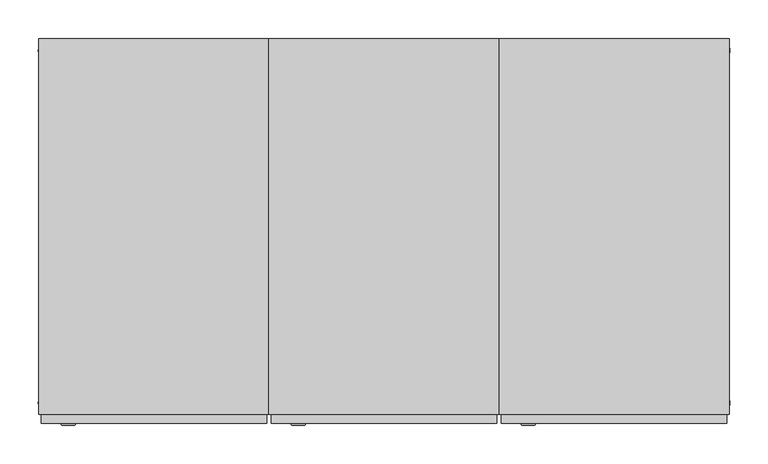
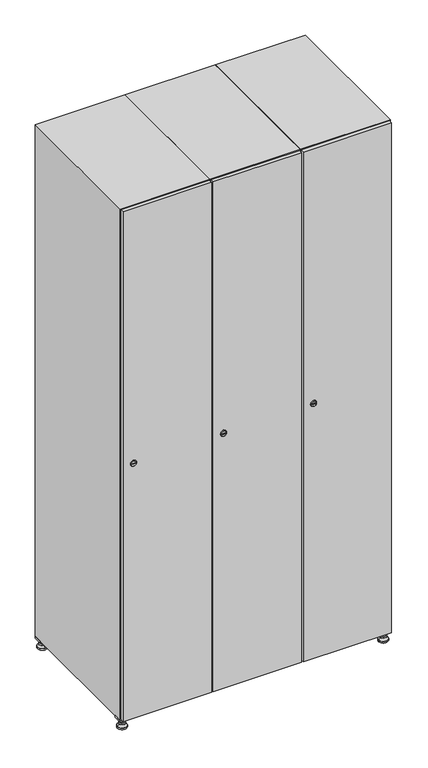
"""IFC4 building model written with IfcOpenShell, lengths in millimetres: furniture geometry."""

from ifc_helpers import new_model, si_unit, point, frame, frame_2d, origin, origin_with_axes, place, context, project, spatial, polyline, circle_curve, trimmed, segment, composite_curve, outline, extrude, faceted_brep, source, transform, mapped, element, save
from ifc_brep_helpers import plane_surface, revolved_surface, advanced_brep


def furniture_07acc84b(model_context):
    return source(origin(), model_context, "Body", "SolidModel", [
        extrude(outline(polyline([(700.0, 245.0), (700.0, 215.0), (670.0, 215.0), (670.0, 245.0), (700.0, 245.0)]), holes=[polyline([(698.0, 243.0), (672.0, 243.0), (672.0, 217.0), (698.0, 217.0), (698.0, 243.0)])]), frame((0.0, 0.0, 28.5), z_axis=(0.0, 0.0, 1.0), x_axis=(1.0, 0.0, 0.0)), (0.0, 0.0, 1.0), 6.5),
        extrude(outline(polyline([(670.0, -245.0), (670.0, -215.0), (700.0, -215.0), (700.0, -245.0), (670.0, -245.0)]), holes=[polyline([(672.0, -243.0), (698.0, -243.0), (698.0, -217.0), (672.0, -217.0), (672.0, -243.0)])]), frame((0.0, 0.0, 28.5), z_axis=(0.0, 0.0, 1.0), x_axis=(1.0, 0.0, 0.0)), (0.0, 0.0, 1.0), 6.5),
        extrude(outline(polyline([(-170.0, 245.0), (-170.0, 215.0), (-200.0, 215.0), (-200.0, 245.0), (-170.0, 245.0)]), holes=[polyline([(-172.0, 243.0), (-198.0, 243.0), (-198.0, 217.0), (-172.0, 217.0), (-172.0, 243.0)])]), frame((0.0, 0.0, 28.5), z_axis=(0.0, 0.0, 1.0), x_axis=(1.0, 0.0, 0.0)), (0.0, 0.0, 1.0), 6.5),
        extrude(outline(polyline([(-170.0, -215.0), (-170.0, -245.0), (-200.0, -245.0), (-200.0, -215.0), (-170.0, -215.0)]), holes=[polyline([(-198.0, -243.0), (-172.0, -243.0), (-172.0, -217.0), (-198.0, -217.0), (-198.0, -243.0)])]), frame((0.0, 0.0, 28.5), z_axis=(0.0, 0.0, 1.0), x_axis=(1.0, 0.0, 0.0)), (0.0, 0.0, 1.0), 6.5),
        extrude(outline(composite_curve([segment(trimmed(circle_curve(frame_2d((-185.0, 230.0)), 5.0), [point((-180.0, 230.0))], [point((-190.0, 230.0))], False, "CARTESIAN"), True, "CONTINUOUS"), segment(trimmed(circle_curve(frame_2d((-185.0, 230.0)), 5.0), [point((-190.0, 230.0))], [point((-180.0, 230.0))], False, "CARTESIAN"), True, "CONTINUOUS")], self_intersect=False)), frame((0.0, 0.0, 19.6), z_axis=(0.0, 0.0, 1.0), x_axis=(1.0, 0.0, 0.0)), (0.0, 0.0, 1.0), 15.4),
        extrude(outline(composite_curve([segment(trimmed(circle_curve(frame_2d((-185.0, -230.0)), 5.0), [point((-180.0, -230.0))], [point((-190.0, -230.0))], False, "CARTESIAN"), True, "CONTINUOUS"), segment(trimmed(circle_curve(frame_2d((-185.0, -230.0)), 5.0), [point((-190.0, -230.0))], [point((-180.0, -230.0))], False, "CARTESIAN"), True, "CONTINUOUS")], self_intersect=False)), frame((0.0, 0.0, 19.6), z_axis=(0.0, 0.0, 1.0), x_axis=(1.0, 0.0, 0.0)), (0.0, 0.0, 1.0), 15.4),
        extrude(outline(composite_curve([segment(trimmed(circle_curve(frame_2d((685.0, 230.0)), 5.0), [point((690.0, 230.0))], [point((680.0, 230.0))], False, "CARTESIAN"), True, "CONTINUOUS"), segment(trimmed(circle_curve(frame_2d((685.0, 230.0)), 5.0), [point((680.0, 230.0))], [point((690.0, 230.0))], False, "CARTESIAN"), True, "CONTINUOUS")], self_intersect=False)), frame((0.0, 0.0, 19.6), z_axis=(0.0, 0.0, 1.0), x_axis=(1.0, 0.0, 0.0)), (0.0, 0.0, 1.0), 15.4),
        extrude(outline(polyline([(673.4529946, 230.0), (679.2264973, 240.0), (690.7735027, 240.0), (696.5470054, 230.0), (690.7735027, 220.0), (679.2264973, 220.0), (673.4529946, 230.0)])), frame((0.0, 0.0, 13.6), z_axis=(0.0, 0.0, 1.0), x_axis=(1.0, 0.0, 0.0)), (0.0, 0.0, 1.0), 6.0),
        extrude(outline(composite_curve([segment(trimmed(circle_curve(frame_2d((685.0, -230.0)), 5.0), [point((690.0, -230.0))], [point((680.0, -230.0))], False, "CARTESIAN"), True, "CONTINUOUS"), segment(trimmed(circle_curve(frame_2d((685.0, -230.0)), 5.0), [point((680.0, -230.0))], [point((690.0, -230.0))], False, "CARTESIAN"), True, "CONTINUOUS")], self_intersect=False)), frame((0.0, 0.0, 19.6), z_axis=(0.0, 0.0, 1.0), x_axis=(1.0, 0.0, 0.0)), (0.0, 0.0, 1.0), 15.4),
        extrude(outline(polyline([(673.4529946, -230.0), (679.2264973, -220.0), (690.7735027, -220.0), (696.5470054, -230.0), (690.7735027, -240.0), (679.2264973, -240.0), (673.4529946, -230.0)])), frame((0.0, 0.0, 13.6), z_axis=(0.0, 0.0, 1.0), x_axis=(1.0, 0.0, 0.0)), (0.0, 0.0, 1.0), 6.0),
        extrude(outline(composite_curve([segment(trimmed(circle_curve(frame_2d((685.0, 230.0)), 5.0), [point((690.0, 230.0))], [point((680.0, 230.0))], False, "CARTESIAN"), True, "CONTINUOUS"), segment(trimmed(circle_curve(frame_2d((685.0, 230.0)), 5.0), [point((680.0, 230.0))], [point((690.0, 230.0))], False, "CARTESIAN"), True, "CONTINUOUS")], self_intersect=False)), frame((0.0, 0.0, 12.1), z_axis=(0.0, 0.0, 1.0), x_axis=(1.0, 0.0, 0.0)), (0.0, 0.0, 1.0), 1.5),
        extrude(outline(composite_curve([segment(trimmed(circle_curve(frame_2d((685.0, -230.0)), 5.0), [point((690.0, -230.0))], [point((680.0, -230.0))], False, "CARTESIAN"), True, "CONTINUOUS"), segment(trimmed(circle_curve(frame_2d((685.0, -230.0)), 5.0), [point((680.0, -230.0))], [point((690.0, -230.0))], False, "CARTESIAN"), True, "CONTINUOUS")], self_intersect=False)), frame((0.0, 0.0, 12.1), z_axis=(0.0, 0.0, 1.0), x_axis=(1.0, 0.0, 0.0)), (0.0, 0.0, 1.0), 1.5),
        extrude(outline(polyline([(-196.5470054, 230.0), (-190.7735027, 240.0), (-179.2264973, 240.0), (-173.4529946, 230.0), (-179.2264973, 220.0), (-190.7735027, 220.0), (-196.5470054, 230.0)])), frame((0.0, 0.0, 13.6), z_axis=(0.0, 0.0, 1.0), x_axis=(1.0, 0.0, 0.0)), (0.0, 0.0, 1.0), 6.0),
        extrude(outline(polyline([(-196.5470054, -230.0), (-190.7735027, -220.0), (-179.2264973, -220.0), (-173.4529946, -230.0), (-179.2264973, -240.0), (-190.7735027, -240.0), (-196.5470054, -230.0)])), frame((0.0, 0.0, 13.6), z_axis=(0.0, 0.0, 1.0), x_axis=(1.0, 0.0, 0.0)), (0.0, 0.0, 1.0), 6.0),
        extrude(outline(composite_curve([segment(trimmed(circle_curve(frame_2d((-185.0, 230.0)), 5.0), [point((-185.0, 235.0))], [point((-185.0, 225.0))], False, "CARTESIAN"), True, "CONTINUOUS"), segment(trimmed(circle_curve(frame_2d((-185.0, 230.0)), 5.0), [point((-185.0, 225.0))], [point((-185.0, 235.0))], False, "CARTESIAN"), True, "CONTINUOUS")], self_intersect=False)), frame((0.0, 0.0, 12.1), z_axis=(0.0, 0.0, 1.0), x_axis=(1.0, 0.0, 0.0)), (0.0, 0.0, 1.0), 1.5),
        extrude(outline(composite_curve([segment(trimmed(circle_curve(frame_2d((-185.0, -230.0)), 5.0), [point((-180.0, -230.0))], [point((-190.0, -230.0))], False, "CARTESIAN"), True, "CONTINUOUS"), segment(trimmed(circle_curve(frame_2d((-185.0, -230.0)), 5.0), [point((-190.0, -230.0))], [point((-180.0, -230.0))], False, "CARTESIAN"), True, "CONTINUOUS")], self_intersect=False)), frame((0.0, 0.0, 12.1), z_axis=(0.0, 0.0, 1.0), x_axis=(1.0, 0.0, 0.0)), (0.0, 0.0, 1.0), 1.5),
        extrude(outline(composite_curve([segment(trimmed(circle_curve(frame_2d((685.0, 230.0)), 15.75), [point((700.75, 230.0))], [point((669.25, 230.0))], False, "CARTESIAN"), True, "CONTINUOUS"), segment(trimmed(circle_curve(frame_2d((685.0, 230.0)), 15.75), [point((669.25, 230.0))], [point((700.75, 230.0))], False, "CARTESIAN"), True, "CONTINUOUS")], self_intersect=False)), origin_with_axes(), (0.0, 0.0, 1.0), 5.1),
        extrude(outline(composite_curve([segment(trimmed(circle_curve(frame_2d((685.0, -230.0)), 15.75), [point((685.0, -214.25))], [point((685.0, -245.75))], False, "CARTESIAN"), True, "CONTINUOUS"), segment(trimmed(circle_curve(frame_2d((685.0, -230.0)), 15.75), [point((685.0, -245.75))], [point((685.0, -214.25))], False, "CARTESIAN"), True, "CONTINUOUS")], self_intersect=False)), origin_with_axes(), (0.0, 0.0, 1.0), 5.1),
        extrude(outline(composite_curve([segment(trimmed(circle_curve(frame_2d((-185.0, -230.0)), 15.75), [point((-169.25, -230.0))], [point((-200.75, -230.0))], False, "CARTESIAN"), True, "CONTINUOUS"), segment(trimmed(circle_curve(frame_2d((-185.0, -230.0)), 15.75), [point((-200.75, -230.0))], [point((-169.25, -230.0))], False, "CARTESIAN"), True, "CONTINUOUS")], self_intersect=False)), origin_with_axes(), (0.0, 0.0, 1.0), 5.1),
        extrude(outline(composite_curve([segment(trimmed(circle_curve(frame_2d((-185.0, 230.0)), 15.75), [point((-169.25, 230.0))], [point((-200.75, 230.0))], False, "CARTESIAN"), True, "CONTINUOUS"), segment(trimmed(circle_curve(frame_2d((-185.0, 230.0)), 15.75), [point((-200.75, 230.0))], [point((-169.25, 230.0))], False, "CARTESIAN"), True, "CONTINUOUS")], self_intersect=False)), origin_with_axes(), (0.0, 0.0, 1.0), 5.1),
        advanced_brep(
        [(-185.0, 239.5, 12.1), (-185.0, 220.5, 12.1), (-185.0, 214.25, 5.1), (-185.0, 245.75, 5.1)],
        [
            (0, 1, circle_curve(frame((-185.0, 230.0, 12.1), z_axis=(0.0, 0.0, -1.0), x_axis=(0.0, 1.0, 0.0)), 9.5)),
            (1, 2),
            (2, 3, circle_curve(frame((-185.0, 230.0, 5.1), z_axis=(0.0, 0.0, 1.0), x_axis=(0.0, 1.0, 0.0)), 15.75)),
            (3, 0),
            (1, 0, circle_curve(frame((-185.0, 230.0, 12.1), z_axis=(0.0, 0.0, -1.0), x_axis=(0.0, -1.0, 0.0)), 9.5)),
            (3, 2, circle_curve(frame((-185.0, 230.0, 5.1), z_axis=(0.0, 0.0, 1.0), x_axis=(0.0, -1.0, 0.0)), 15.75)),
        ],
        [
            revolved_surface(polyline([(-185.0, 220.5, 12.099999999999998), (-185.0, 214.25, 5.099999999999998)]), (-185.0, 230.0, 22.74), (0.0, 0.0, -1.0)),
            revolved_surface(polyline([(-185.0, 239.5, 12.099999999999998), (-185.0, 245.75, 5.099999999999998)]), (-185.0, 230.0, 22.74), (0.0, 0.0, -1.0)),
            plane_surface(frame((-185.0, 230.0, 5.1), z_axis=(0.0, 0.0, -1.0), x_axis=(1.0, 0.0, 0.0))),
            plane_surface(frame((-185.0, 230.0, 12.1), z_axis=(0.0, 0.0, 1.0), x_axis=(1.0, 0.0, 0.0))),
        ],
        [
            (0, [[1, 2, 3, 4]]),
            (1, [[5, -4, 6, -2]]),
            (2, [[-3, -6]]),
            (3, [[-5, -1]]),
        ],
    ),
        advanced_brep(
        [(685.0, 239.5, 12.1), (685.0, 220.5, 12.1), (685.0, 214.25, 5.1), (685.0, 245.75, 5.1)],
        [
            (0, 1, circle_curve(frame((685.0, 230.0, 12.1), z_axis=(0.0, 0.0, -1.0), x_axis=(0.0, 1.0, 0.0)), 9.5)),
            (1, 2),
            (2, 3, circle_curve(frame((685.0, 230.0, 5.1), z_axis=(0.0, 0.0, 1.0), x_axis=(0.0, 1.0, 0.0)), 15.75)),
            (3, 0),
            (1, 0, circle_curve(frame((685.0, 230.0, 12.1), z_axis=(0.0, 0.0, -1.0), x_axis=(0.0, -1.0, 0.0)), 9.5)),
            (3, 2, circle_curve(frame((685.0, 230.0, 5.1), z_axis=(0.0, 0.0, 1.0), x_axis=(0.0, -1.0, 0.0)), 15.75)),
        ],
        [
            revolved_surface(polyline([(685.0, 220.5, 12.099999999999998), (685.0, 214.25, 5.099999999999998)]), (685.0, 230.0, 22.74), (0.0, 0.0, -1.0)),
            revolved_surface(polyline([(685.0, 239.5, 12.099999999999998), (685.0, 245.75, 5.099999999999998)]), (685.0, 230.0, 22.74), (0.0, 0.0, -1.0)),
            plane_surface(frame((685.0, 230.0, 5.1), z_axis=(0.0, 0.0, -1.0), x_axis=(1.0, 0.0, 0.0))),
            plane_surface(frame((685.0, 230.0, 12.1), z_axis=(0.0, 0.0, 1.0), x_axis=(1.0, 0.0, 0.0))),
        ],
        [
            (0, [[1, 2, 3, 4]]),
            (1, [[5, -4, 6, -2]]),
            (2, [[-3, -6]]),
            (3, [[-5, -1]]),
        ],
    ),
        advanced_brep(
        [(700.75, -230.0, 5.1), (669.25, -230.0, 5.1), (675.5, -230.0, 12.1), (694.5, -230.0, 12.1)],
        [
            (0, 1, circle_curve(frame((685.0, -230.0, 5.1), z_axis=(0.0, 0.0, 1.0), x_axis=(1.0, 0.0, 0.0)), 15.75)),
            (1, 2),
            (2, 3, circle_curve(frame((685.0, -230.0, 12.1), z_axis=(0.0, 0.0, -1.0), x_axis=(1.0, 0.0, 0.0)), 9.5)),
            (3, 0),
            (1, 0, circle_curve(frame((685.0, -230.0, 5.1), z_axis=(0.0, 0.0, 1.0), x_axis=(-1.0, 0.0, 0.0)), 15.75)),
            (3, 2, circle_curve(frame((685.0, -230.0, 12.1), z_axis=(0.0, 0.0, -1.0), x_axis=(-1.0, 0.0, 0.0)), 9.5)),
        ],
        [
            revolved_surface(polyline([(694.5, -230.0, 12.099999999999998), (700.75, -230.0, 5.099999999999998)]), (685.0, -230.0, 22.74), (0.0, 0.0, -1.0)),
            revolved_surface(polyline([(675.5, -230.0, 12.099999999999998), (669.25, -230.0, 5.099999999999998)]), (685.0, -230.0, 22.74), (0.0, 0.0, -1.0)),
            plane_surface(frame((685.0, -230.0, 12.1), z_axis=(0.0, 0.0, 1.0), x_axis=(0.0, 1.0, 0.0))),
            plane_surface(frame((685.0, -230.0, 5.1), z_axis=(0.0, 0.0, -1.0), x_axis=(0.0, 1.0, 0.0))),
        ],
        [
            (0, [[1, 2, 3, 4]]),
            (1, [[5, -4, 6, -2]]),
            (2, [[-3, -6]]),
            (3, [[-5, -1]]),
        ],
    ),
        advanced_brep(
        [(-169.25, -230.0, 5.1), (-200.75, -230.0, 5.1), (-194.5, -230.0, 12.1), (-175.5, -230.0, 12.1)],
        [
            (0, 1, circle_curve(frame((-185.0, -230.0, 5.1), z_axis=(0.0, 0.0, 1.0), x_axis=(1.0, 0.0, 0.0)), 15.75)),
            (1, 2),
            (2, 3, circle_curve(frame((-185.0, -230.0, 12.1), z_axis=(0.0, 0.0, -1.0), x_axis=(1.0, 0.0, 0.0)), 9.5)),
            (3, 0),
            (1, 0, circle_curve(frame((-185.0, -230.0, 5.1), z_axis=(0.0, 0.0, 1.0), x_axis=(-1.0, 0.0, 0.0)), 15.75)),
            (3, 2, circle_curve(frame((-185.0, -230.0, 12.1), z_axis=(0.0, 0.0, -1.0), x_axis=(-1.0, 0.0, 0.0)), 9.5)),
        ],
        [
            revolved_surface(polyline([(-175.5, -230.0, 12.099999999999998), (-169.25, -230.0, 5.099999999999998)]), (-185.0, -230.0, 22.74), (0.0, 0.0, -1.0)),
            revolved_surface(polyline([(-194.5, -230.0, 12.099999999999998), (-200.75, -230.0, 5.099999999999998)]), (-185.0, -230.0, 22.74), (0.0, 0.0, -1.0)),
            plane_surface(frame((-185.0, -230.0, 12.1), z_axis=(0.0, 0.0, 1.0), x_axis=(0.0, 1.0, 0.0))),
            plane_surface(frame((-185.0, -230.0, 5.1), z_axis=(0.0, 0.0, -1.0), x_axis=(0.0, 1.0, 0.0))),
        ],
        [
            (0, [[1, 2, 3, 4]]),
            (1, [[5, -4, 6, -2]]),
            (2, [[-3, -6]]),
            (3, [[-5, -1]]),
        ],
    ),
        extrude(outline(composite_curve([segment(trimmed(circle_curve(frame_2d((935.0, 411.2010534)), 7.0), [point((942.0, 411.2010534))], [point((928.0, 411.2010534))], False, "CARTESIAN"), True, "CONTINUOUS"), segment(polyline([(928.0, 411.2010534), (928.0, 439.2010534)]), True, "CONTINUOUS"), segment(trimmed(circle_curve(frame_2d((935.0, 439.2010534)), 7.0), [point((928.0, 439.2010534))], [point((942.0, 439.2010534))], False, "CARTESIAN"), True, "CONTINUOUS"), segment(polyline([(942.0, 439.2010534), (942.0, 411.2010534)]), True, "CONTINUOUS")], self_intersect=False)), frame((0.0, -245.0, 0.0), z_axis=(0.0, 1.0, 0.0), x_axis=(0.0, 0.0, 1.0)), (0.0, 0.0, 1.0), 2.0),
        advanced_brep(
        [(446.5, -259.2, 935.0), (429.5, -259.2, 935.0), (433.0, -259.2, 933.75), (433.0, -259.2, 936.25), (443.0, -259.2, 936.25), (443.0, -259.2, 933.75), (448.5, -257.0, 935.0), (427.5, -257.0, 935.0), (433.0, -257.0, 936.25), (433.0, -257.0, 933.75), (443.0, -257.0, 933.75), (443.0, -257.0, 936.25)],
        [
            (0, 1, circle_curve(frame((438.0, -259.2, 935.0), z_axis=(0.0, -1.0, 0.0), x_axis=(1.0, 0.0, 0.0)), 8.5)),
            (1, 0, circle_curve(frame((438.0, -259.2, 935.0), z_axis=(0.0, -1.0, 0.0), x_axis=(-1.0, 0.0, 0.0)), 8.5)),
            (2, 3),
            (3, 4),
            (4, 5),
            (5, 2),
            (6, 7, circle_curve(frame((438.0, -257.0, 935.0), z_axis=(0.0, 1.0, 0.0), x_axis=(-1.0, 0.0, 0.0)), 10.5)),
            (7, 6, circle_curve(frame((438.0, -257.0, 935.0), z_axis=(0.0, 1.0, 0.0), x_axis=(1.0, 0.0, 0.0)), 10.5)),
            (8, 9),
            (9, 10),
            (10, 11),
            (11, 8),
            (0, 6),
            (7, 1),
            (8, 3),
            (2, 9),
            (11, 4),
            (10, 5),
        ],
        [
            plane_surface(frame((438.0, -259.2, 935.0), z_axis=(0.0, -1.0, 0.0), x_axis=(0.0, 0.0, 1.0))),
            plane_surface(frame((438.0, -257.0, 935.0), z_axis=(0.0, 1.0, 0.0), x_axis=(0.0, 0.0, 1.0))),
            revolved_surface(polyline([(446.5, -259.2, 935.0), (448.5, -257.0, 935.0)]), (438.0, -268.55, 935.0), (0.0, 1.0, 0.0)),
            revolved_surface(polyline([(429.5, -259.2, 935.0), (427.5, -257.0, 935.0)]), (438.0, -268.55, 935.0), (0.0, 1.0, 0.0)),
            plane_surface(frame((433.0, -257.0, 933.75), z_axis=(1.0, 0.0, 0.0), x_axis=(0.0, -1.0, 0.0))),
            plane_surface(frame((433.0, -257.0, 936.25), z_axis=(0.0, 0.0, -1.0), x_axis=(0.0, -1.0, 0.0))),
            plane_surface(frame((443.0, -257.0, 936.25), z_axis=(-1.0, 0.0, 0.0), x_axis=(0.0, -1.0, 0.0))),
            plane_surface(frame((443.0, -257.0, 933.75), z_axis=(0.0, 0.0, 1.0), x_axis=(0.0, -1.0, 0.0))),
        ],
        [
            (0, [[1, 2], [3, 4, 5, 6]]),
            (1, [[7, 8], [9, 10, 11, 12]]),
            (2, [[-1, 13, -8, 14]]),
            (3, [[-2, -14, -7, -13]]),
            (4, [[15, -3, 16, -9]]),
            (5, [[-15, -12, 17, -4]]),
            (6, [[-17, -11, 18, -5]]),
            (7, [[-16, -6, -18, -10]]),
        ],
    ),
        extrude(outline(polyline([(697.0, -245.0), (697.0, -257.0), (403.0, -257.0), (403.0, -245.0), (697.0, -245.0)])), frame((0.0, 0.0, 38.0), z_axis=(0.0, 0.0, 1.0), x_axis=(1.0, 0.0, 0.0)), (0.0, 0.0, 1.0), 1794.0),
        faceted_brep([(700.0, -245.0, 35.0), (700.0, -245.0, 1835.0), (400.0, -245.0, 1835.0), (400.0, -245.0, 35.0), (679.6, -245.0, 1804.8), (679.6, -245.0, 65.2), (420.4, -245.0, 65.2), (420.4, -245.0, 1804.8), (700.0, 245.0, 35.0), (400.0, 245.0, 35.0), (700.0, 245.0, 1835.0), (400.0, 245.0, 1835.0), (679.6, 242.0, 1804.8), (679.6, 242.0, 65.2), (400.0, 245.0, 1804.8), (420.4, 242.0, 1804.8), (420.4, 242.0, 65.2)], [[[0, 1, 2, 3], [4, 5, 6, 7]], [[8, 0, 3, 9]], [[1, 0, 8, 10]], [[1, 10, 11, 2]], [[4, 12, 13, 5]], [[9, 3, 2, 11, 14]], [[10, 8, 9, 14, 11]], [[12, 15, 16, 13]], [[15, 7, 6, 16]], [[4, 7, 15, 12]], [[6, 5, 13, 16]]]),
        extrude(outline(composite_curve([segment(trimmed(circle_curve(frame_2d((935.0, 111.2010534)), 7.0), [point((942.0, 111.2010534))], [point((928.0, 111.2010534))], False, "CARTESIAN"), True, "CONTINUOUS"), segment(polyline([(928.0, 111.2010534), (928.0, 139.2010534)]), True, "CONTINUOUS"), segment(trimmed(circle_curve(frame_2d((935.0, 139.2010534)), 7.0), [point((928.0, 139.2010534))], [point((942.0, 139.2010534))], False, "CARTESIAN"), True, "CONTINUOUS"), segment(polyline([(942.0, 139.2010534), (942.0, 111.2010534)]), True, "CONTINUOUS")], self_intersect=False)), frame((0.0, -245.0, 0.0), z_axis=(0.0, 1.0, 0.0), x_axis=(0.0, 0.0, 1.0)), (0.0, 0.0, 1.0), 2.0),
        advanced_brep(
        [(146.5, -259.2, 935.0), (129.5, -259.2, 935.0), (133.0, -259.2, 933.75), (133.0, -259.2, 936.25), (143.0, -259.2, 936.25), (143.0, -259.2, 933.75), (148.5, -257.0, 935.0), (127.5, -257.0, 935.0), (133.0, -257.0, 936.25), (133.0, -257.0, 933.75), (143.0, -257.0, 933.75), (143.0, -257.0, 936.25)],
        [
            (0, 1, circle_curve(frame((138.0, -259.2, 935.0), z_axis=(0.0, -1.0, 0.0), x_axis=(1.0, 0.0, 0.0)), 8.5)),
            (1, 0, circle_curve(frame((138.0, -259.2, 935.0), z_axis=(0.0, -1.0, 0.0), x_axis=(-1.0, 0.0, 0.0)), 8.5)),
            (2, 3),
            (3, 4),
            (4, 5),
            (5, 2),
            (6, 7, circle_curve(frame((138.0, -257.0, 935.0), z_axis=(0.0, 1.0, 0.0), x_axis=(-1.0, 0.0, 0.0)), 10.5)),
            (7, 6, circle_curve(frame((138.0, -257.0, 935.0), z_axis=(0.0, 1.0, 0.0), x_axis=(1.0, 0.0, 0.0)), 10.5)),
            (8, 9),
            (9, 10),
            (10, 11),
            (11, 8),
            (0, 6),
            (7, 1),
            (8, 3),
            (2, 9),
            (11, 4),
            (10, 5),
        ],
        [
            plane_surface(frame((138.0, -259.2, 935.0), z_axis=(0.0, -1.0, 0.0), x_axis=(0.0, 0.0, 1.0))),
            plane_surface(frame((138.0, -257.0, 935.0), z_axis=(0.0, 1.0, 0.0), x_axis=(0.0, 0.0, 1.0))),
            revolved_surface(polyline([(146.5, -259.2, 935.0), (148.5, -257.0, 935.0)]), (138.0, -268.55, 935.0), (0.0, 1.0, 0.0)),
            revolved_surface(polyline([(129.5, -259.2, 935.0), (127.5, -257.0, 935.0)]), (138.0, -268.55, 935.0), (0.0, 1.0, 0.0)),
            plane_surface(frame((133.0, -257.0, 933.75), z_axis=(1.0, 0.0, 0.0), x_axis=(0.0, -1.0, 0.0))),
            plane_surface(frame((133.0, -257.0, 936.25), z_axis=(0.0, 0.0, -1.0), x_axis=(0.0, -1.0, 0.0))),
            plane_surface(frame((143.0, -257.0, 936.25), z_axis=(-1.0, 0.0, 0.0), x_axis=(0.0, -1.0, 0.0))),
            plane_surface(frame((143.0, -257.0, 933.75), z_axis=(0.0, 0.0, 1.0), x_axis=(0.0, -1.0, 0.0))),
        ],
        [
            (0, [[1, 2], [3, 4, 5, 6]]),
            (1, [[7, 8], [9, 10, 11, 12]]),
            (2, [[-1, 13, -8, 14]]),
            (3, [[-2, -14, -7, -13]]),
            (4, [[15, -3, 16, -9]]),
            (5, [[-15, -12, 17, -4]]),
            (6, [[-17, -11, 18, -5]]),
            (7, [[-16, -6, -18, -10]]),
        ],
    ),
        extrude(outline(polyline([(397.0, -245.0), (397.0, -257.0), (103.0, -257.0), (103.0, -245.0), (397.0, -245.0)])), frame((0.0, 0.0, 38.0), z_axis=(0.0, 0.0, 1.0), x_axis=(1.0, 0.0, 0.0)), (0.0, 0.0, 1.0), 1794.0),
        faceted_brep([(400.0, -245.0, 35.0), (400.0, -245.0, 1835.0), (100.0, -245.0, 1835.0), (100.0, -245.0, 35.0), (379.6, -245.0, 1804.8), (379.6, -245.0, 65.2), (120.4, -245.0, 65.2), (120.4, -245.0, 1804.8), (400.0, 245.0, 35.0), (100.0, 245.0, 35.0), (400.0, 245.0, 1835.0), (100.0, 245.0, 1835.0), (379.6, 242.0, 1804.8), (379.6, 242.0, 65.2), (100.0, 245.0, 1804.8), (120.4, 242.0, 1804.8), (120.4, 242.0, 65.2)], [[[0, 1, 2, 3], [4, 5, 6, 7]], [[8, 0, 3, 9]], [[1, 0, 8, 10]], [[1, 10, 11, 2]], [[4, 12, 13, 5]], [[9, 3, 2, 11, 14]], [[10, 8, 9, 14, 11]], [[12, 15, 16, 13]], [[15, 7, 6, 16]], [[4, 7, 15, 12]], [[6, 5, 13, 16]]]),
        extrude(outline(composite_curve([segment(trimmed(circle_curve(frame_2d((935.0, -188.7989466)), 7.0), [point((942.0, -188.7989466))], [point((928.0, -188.7989466))], False, "CARTESIAN"), True, "CONTINUOUS"), segment(polyline([(928.0, -188.7989466), (928.0, -160.7989466)]), True, "CONTINUOUS"), segment(trimmed(circle_curve(frame_2d((935.0, -160.7989466)), 7.0), [point((928.0, -160.7989466))], [point((942.0, -160.7989466))], False, "CARTESIAN"), True, "CONTINUOUS"), segment(polyline([(942.0, -160.7989466), (942.0, -188.7989466)]), True, "CONTINUOUS")], self_intersect=False)), frame((0.0, -245.0, 0.0), z_axis=(0.0, 1.0, 0.0), x_axis=(0.0, 0.0, 1.0)), (0.0, 0.0, 1.0), 2.0),
        advanced_brep(
        [(-153.5, -259.2, 935.0), (-170.5, -259.2, 935.0), (-167.0, -259.2, 933.75), (-167.0, -259.2, 936.25), (-157.0, -259.2, 936.25), (-157.0, -259.2, 933.75), (-151.5, -257.0, 935.0), (-172.5, -257.0, 935.0), (-167.0, -257.0, 936.25), (-167.0, -257.0, 933.75), (-157.0, -257.0, 933.75), (-157.0, -257.0, 936.25)],
        [
            (0, 1, circle_curve(frame((-162.0, -259.2, 935.0), z_axis=(0.0, -1.0, 0.0), x_axis=(1.0, 0.0, 0.0)), 8.5)),
            (1, 0, circle_curve(frame((-162.0, -259.2, 935.0), z_axis=(0.0, -1.0, 0.0), x_axis=(-1.0, 0.0, 0.0)), 8.5)),
            (2, 3),
            (3, 4),
            (4, 5),
            (5, 2),
            (6, 7, circle_curve(frame((-162.0, -257.0, 935.0), z_axis=(0.0, 1.0, 0.0), x_axis=(-1.0, 0.0, 0.0)), 10.5)),
            (7, 6, circle_curve(frame((-162.0, -257.0, 935.0), z_axis=(0.0, 1.0, 0.0), x_axis=(1.0, 0.0, 0.0)), 10.5)),
            (8, 9),
            (9, 10),
            (10, 11),
            (11, 8),
            (0, 6),
            (7, 1),
            (8, 3),
            (2, 9),
            (11, 4),
            (10, 5),
        ],
        [
            plane_surface(frame((-162.0, -259.2, 935.0), z_axis=(0.0, -1.0, 0.0), x_axis=(0.0, 0.0, 1.0))),
            plane_surface(frame((-162.0, -257.0, 935.0), z_axis=(0.0, 1.0, 0.0), x_axis=(0.0, 0.0, 1.0))),
            revolved_surface(polyline([(-153.5, -259.2, 935.0), (-151.5, -257.0, 935.0)]), (-162.0, -268.55, 935.0), (0.0, 1.0, 0.0)),
            revolved_surface(polyline([(-170.5, -259.2, 935.0), (-172.5, -257.0, 935.0)]), (-162.0, -268.55, 935.0), (0.0, 1.0, 0.0)),
            plane_surface(frame((-167.0, -257.0, 933.75), z_axis=(1.0, 0.0, 0.0), x_axis=(0.0, -1.0, 0.0))),
            plane_surface(frame((-167.0, -257.0, 936.25), z_axis=(0.0, 0.0, -1.0), x_axis=(0.0, -1.0, 0.0))),
            plane_surface(frame((-157.0, -257.0, 936.25), z_axis=(-1.0, 0.0, 0.0), x_axis=(0.0, -1.0, 0.0))),
            plane_surface(frame((-157.0, -257.0, 933.75), z_axis=(0.0, 0.0, 1.0), x_axis=(0.0, -1.0, 0.0))),
        ],
        [
            (0, [[1, 2], [3, 4, 5, 6]]),
            (1, [[7, 8], [9, 10, 11, 12]]),
            (2, [[-1, 13, -8, 14]]),
            (3, [[-2, -14, -7, -13]]),
            (4, [[15, -3, 16, -9]]),
            (5, [[-15, -12, 17, -4]]),
            (6, [[-17, -11, 18, -5]]),
            (7, [[-16, -6, -18, -10]]),
        ],
    ),
        extrude(outline(polyline([(97.0, -245.0), (97.0, -257.0), (-197.0, -257.0), (-197.0, -245.0), (97.0, -245.0)])), frame((0.0, 0.0, 38.0), z_axis=(0.0, 0.0, 1.0), x_axis=(1.0, 0.0, 0.0)), (0.0, 0.0, 1.0), 1794.0),
        faceted_brep([(100.0, -245.0, 35.0), (100.0, -245.0, 1835.0), (-200.0, -245.0, 1835.0), (-200.0, -245.0, 35.0), (79.6, -245.0, 1804.8), (79.6, -245.0, 65.2), (-179.6, -245.0, 65.2), (-179.6, -245.0, 1804.8), (100.0, 245.0, 35.0), (-200.0, 245.0, 35.0), (100.0, 245.0, 1835.0), (-200.0, 245.0, 1835.0), (79.6, 242.0, 1804.8), (79.6, 242.0, 65.2), (-200.0, 245.0, 1804.8), (-179.6, 242.0, 1804.8), (-179.6, 242.0, 65.2)], [[[0, 1, 2, 3], [4, 5, 6, 7]], [[8, 0, 3, 9]], [[1, 0, 8, 10]], [[1, 10, 11, 2]], [[4, 12, 13, 5]], [[9, 3, 2, 11, 14]], [[10, 8, 9, 14, 11]], [[12, 15, 16, 13]], [[15, 7, 6, 16]], [[4, 7, 15, 12]], [[6, 5, 13, 16]]]),
    ])


if __name__ == "__main__":
    model = new_model("IFC4")
    model_context = context("Model", 3, world=origin())
    ifc_project = project(units=[si_unit("LENGTHUNIT", "METRE", prefix="MILLI")], contexts=[model_context])
    site = spatial("IfcSite", under=ifc_project)
    building = spatial("IfcBuilding", under=site)
    placement = place(None, origin())
    furniture_shape = furniture_07acc84b(model_context)
    element("IfcFurniture", 1, at=placement, inside=building, context=model_context, shape_type="MappedRepresentation", body=[
        mapped(furniture_shape, transform((0.0, 0.0, 0.0), x_axis=(1.0, 0.0, 0.0), y_axis=(0.0, 1.0, 0.0), z_axis=(0.0, 0.0, 1.0))),
    ])
    save(model, "model.ifc")
